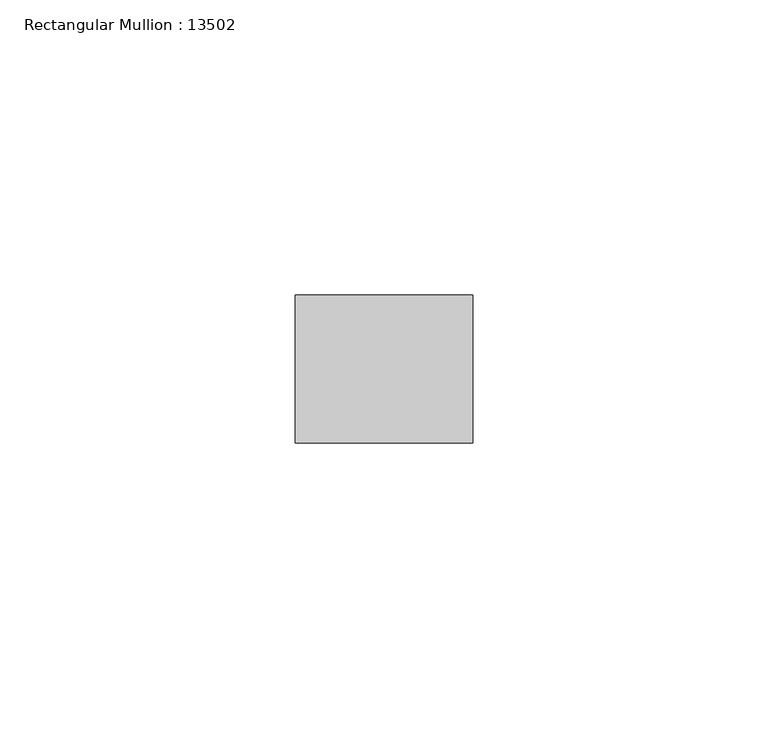
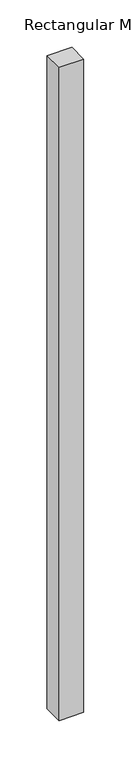
"""IFC4 building model written with IfcOpenShell, lengths in millimetres: member geometry, Rectangular Mullion : 13502."""

from ifc_helpers import new_model, si_unit, frame, origin, place, context, project, spatial, polyline, outline, extrude, source, transform, mapped, element, save


def rectangular_mullion_13502_d5d5691f(model_context):
    return source(origin(), model_context, "Body", "SweptSolid", [
        extrude(outline(polyline([(-29.9999993, -12.5), (-29.9999993, 12.5), (0.0, 12.5), (0.0, -12.5), (-29.9999993, -12.5)])), frame((0.0, 0.0, -840.0), z_axis=(0.0, 0.0, 1.0), x_axis=(1.0, 0.0, 0.0)), (0.0, 0.0, 1.0), 840.0),
    ])


if __name__ == "__main__":
    model = new_model("IFC4")
    model_context = context("Model", 3, world=origin())
    ifc_project = project(units=[si_unit("LENGTHUNIT", "METRE", prefix="MILLI")], contexts=[model_context])
    site = spatial("IfcSite", under=ifc_project)
    building = spatial("IfcBuilding", under=site)
    placement = place(None, origin())
    rectangular_mullion_13502_shape = rectangular_mullion_13502_d5d5691f(model_context)
    element("IfcMember", 1, ObjectType="Rectangular Mullion : 13502", at=placement, inside=building, context=model_context, shape_type="MappedRepresentation", body=[
        mapped(rectangular_mullion_13502_shape, transform((0.0, 0.0, 0.0), x_axis=(1.0, 0.0, 0.0), y_axis=(0.0, 1.0, 0.0), z_axis=(0.0, 0.0, 1.0))),
    ])
    save(model, "model.ifc")
